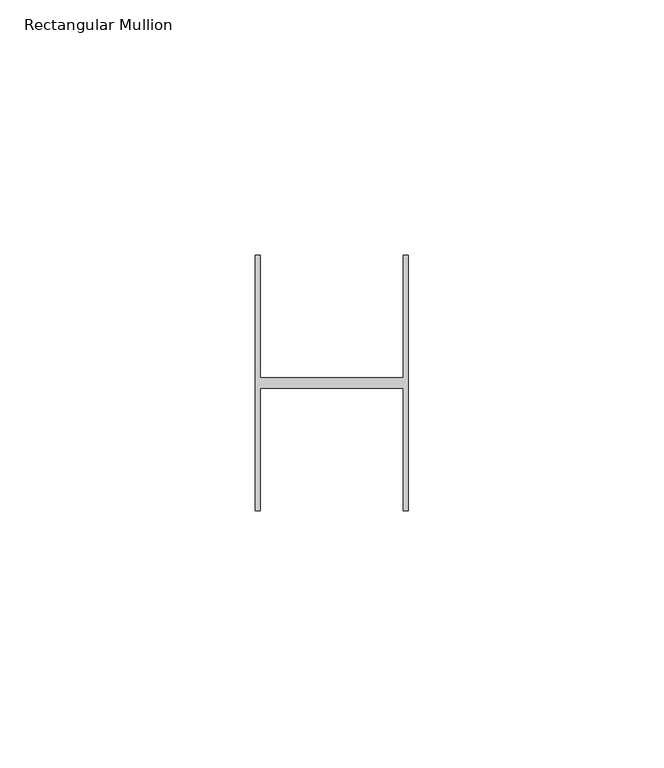
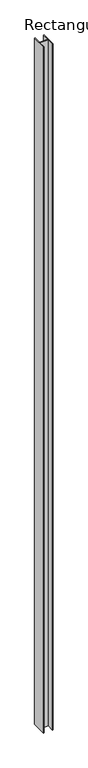
"""IFC4 building model written with IfcOpenShell, lengths in millimetres: member geometry, Rectangular Mullion."""

from ifc_helpers import new_model, si_unit, frame, origin, place, context, project, spatial, polyline, outline, extrude, source, transform, mapped, element, save


def rectangular_mullion_9f11f3cd(model_context):
    return source(origin(), model_context, "Body", "SweptSolid", [
        extrude(outline(polyline([(15.0, 25.0), (15.0, -25.0), (14.0, -25.0), (14.0, -1.0), (-14.0, -1.0), (-14.0, -25.0), (-15.0, -25.0), (-15.0, 25.0), (-14.0, 25.0), (-14.0, 1.0), (14.0, 1.0), (14.0, 25.0), (15.0, 25.0)])), frame((0.0, 0.0, -2330.05), z_axis=(0.0, 0.0, 1.0), x_axis=(1.0, 0.0, 0.0)), (0.0, 0.0, 1.0), 2330.05),
    ])


if __name__ == "__main__":
    model = new_model("IFC4")
    model_context = context("Model", 3, world=origin())
    ifc_project = project(units=[si_unit("LENGTHUNIT", "METRE", prefix="MILLI")], contexts=[model_context])
    site = spatial("IfcSite", under=ifc_project)
    building = spatial("IfcBuilding", under=site)
    placement = place(None, origin())
    rectangular_mullion_shape = rectangular_mullion_9f11f3cd(model_context)
    element("IfcMember", 1, ObjectType="Rectangular Mullion", at=placement, inside=building, context=model_context, shape_type="MappedRepresentation", body=[
        mapped(rectangular_mullion_shape, transform((0.0, 0.0, 0.0), x_axis=(1.0, 0.0, 0.0), y_axis=(0.0, 1.0, 0.0), z_axis=(0.0, 0.0, 1.0))),
    ])
    save(model, "model.ifc")
